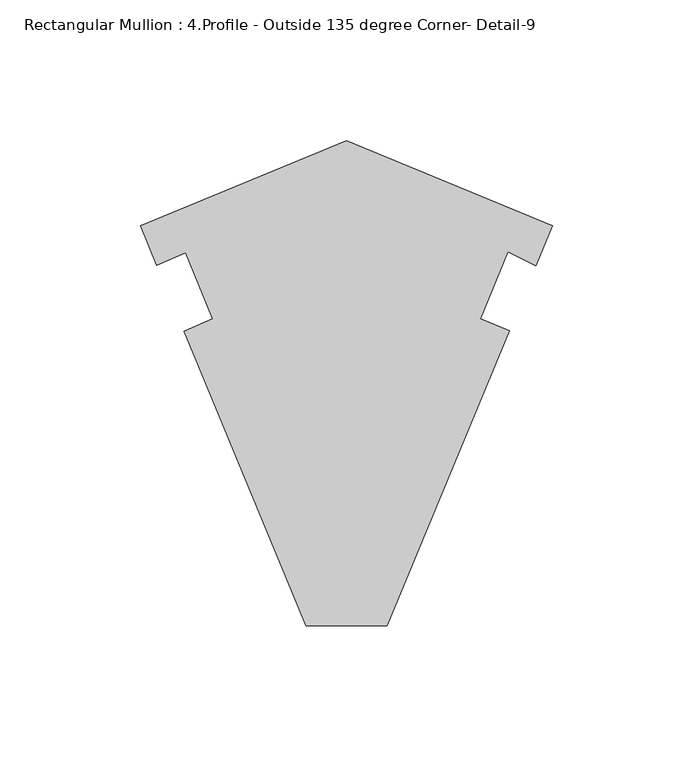
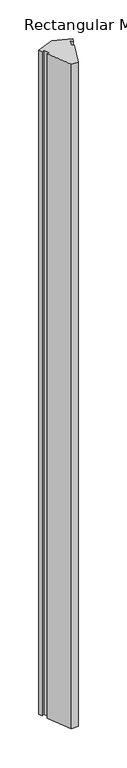
"""IFC4 building model written with IfcOpenShell, lengths in millimetres: member geometry, Rectangular Mullion : 4.Profile - Outside 135 degree Corner- Detail-9."""

from ifc_helpers import new_model, si_unit, frame, origin, place, context, project, spatial, polyline, outline, extrude, source, transform, mapped, element, save


def rectangular_mullion_4_profile_outside_135_degree_corner_dd83ec01(model_context):
    return source(origin(), model_context, "Body", "SweptSolid", [
        extrude(outline(polyline([(-73.3329379, 91.5624838), (0.0, 61.1869864), (-5.8474318, 47.0700373), (-15.8539448, 51.9505398), (-25.7316621, 28.1036207), (-15.4279392, 23.9406464), (-58.9333251, -81.0906464), (-87.7325507, -81.0906464), (-131.1672119, 23.7699019), (-120.9377123, 28.1120669), (-130.6778457, 51.6268291), (-140.9073453, 47.2846641), (-146.6658758, 61.1869864), (-73.3329379, 91.5624838)])), frame((0.0, 0.0, -3048.0), z_axis=(0.0, 0.0, 1.0), x_axis=(1.0, 0.0, 0.0)), (0.0, 0.0, 1.0), 3048.0),
    ])


if __name__ == "__main__":
    model = new_model("IFC4")
    model_context = context("Model", 3, world=origin())
    ifc_project = project(units=[si_unit("LENGTHUNIT", "METRE", prefix="MILLI")], contexts=[model_context])
    site = spatial("IfcSite", under=ifc_project)
    building = spatial("IfcBuilding", under=site)
    placement = place(None, origin())
    rectangular_mullion_4_profile_outside_135_degree_corner_shape = rectangular_mullion_4_profile_outside_135_degree_corner_dd83ec01(model_context)
    element("IfcMember", 1, ObjectType="Rectangular Mullion : 4.Profile - Outside 135 degree Corner- Detail-9", at=placement, inside=building, context=model_context, shape_type="MappedRepresentation", body=[
        mapped(rectangular_mullion_4_profile_outside_135_degree_corner_shape, transform((0.0, 0.0, 0.0), x_axis=(1.0, 0.0, 0.0), y_axis=(0.0, 1.0, 0.0), z_axis=(0.0, 0.0, 1.0))),
    ])
    save(model, "model.ifc")
